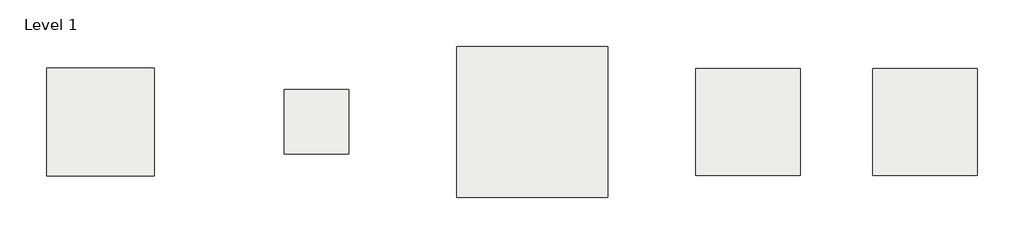
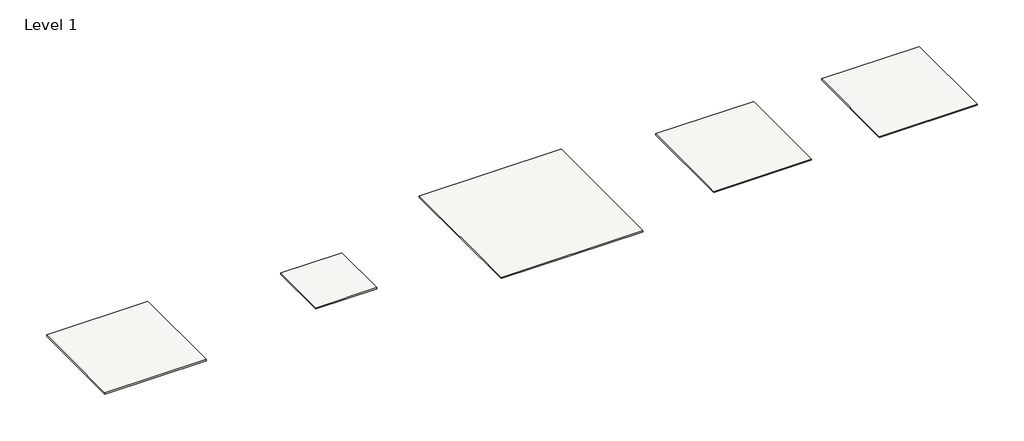
# One storey: 5 slabs.
"""IFC4 building model written with IfcOpenShell, lengths in millimetres."""

from ifc_helpers import new_model, si_unit, frame, origin, place, context, project, spatial, polyline, outline, extrude, element, save

model = new_model("IFC4")

# Units and contexts
model_context = context("Model", 3, world=origin())
ifc_project = project(units=[si_unit("LENGTHUNIT", "METRE", prefix="MILLI")], contexts=[model_context])

# Site, building, storey
site = spatial("IfcSite", under=ifc_project)
building = spatial("IfcBuilding", under=site)
storey = spatial("IfcBuildingStorey", under=building, Name="Level 1", Elevation=0.0)

# Slabs
placement = place(None, origin())
element("IfcSlab", 1, at=placement, inside=storey, context=model_context, shape_type="SweptSolid", body=[
    extrude(outline(polyline([(15866.2303947, 1617.9943364), (15866.2303947, -3342.0056636), (11026.2303947, -3342.0056636), (11026.2303947, 1617.9943364), (15866.2303947, 1617.9943364)])), frame((0.0, 0.0, -70.0), z_axis=(0.0, 0.0, 1.0), x_axis=(1.0, 0.0, 0.0)), (0.0, 0.0, 1.0), 70.0),
])
element("IfcSlab", 2, at=placement, inside=storey, context=model_context, shape_type="SweptSolid", body=[
    extrude(outline(polyline([(19226.2303947, -3342.0056636), (19226.2303947, 1617.9943364), (24066.2303947, 1617.9943364), (24066.2303947, -3342.0056636), (19226.2303947, -3342.0056636)])), frame((0.0, 0.0, -70.0), z_axis=(0.0, 0.0, 1.0), x_axis=(1.0, 0.0, 0.0)), (0.0, 0.0, 1.0), 70.0),
])
element("IfcSlab", 3, at=placement, inside=storey, context=model_context, shape_type="SweptSolid", body=[
    extrude(outline(polyline([(-14053.7696053, 1637.9943364), (-14053.7696053, -3362.0056636), (-19053.7696053, -3362.0056636), (-19053.7696053, 1637.9943364), (-14053.7696053, 1637.9943364)])), frame((0.0, 0.0, -70.0), z_axis=(0.0, 0.0, 1.0), x_axis=(1.0, 0.0, 0.0)), (0.0, 0.0, 1.0), 70.0),
])
element("IfcSlab", 4, at=placement, inside=storey, context=model_context, shape_type="SweptSolid", body=[
    extrude(outline(polyline([(-5053.7696053, 637.9943364), (-5053.7696053, -2362.0056636), (-8053.7696053, -2362.0056636), (-8053.7696053, 637.9943364), (-5053.7696053, 637.9943364)])), frame((0.0, 0.0, -70.0), z_axis=(0.0, 0.0, 1.0), x_axis=(1.0, 0.0, 0.0)), (0.0, 0.0, 1.0), 70.0),
])
element("IfcSlab", 5, at=placement, inside=storey, context=model_context, shape_type="SweptSolid", body=[
    extrude(outline(polyline([(6946.2303947, -4362.0056636), (-53.7696053, -4362.0056636), (-53.7696053, 2637.9943364), (6946.2303947, 2637.9943364), (6946.2303947, -4362.0056636)])), frame((0.0, 0.0, -70.0), z_axis=(0.0, 0.0, 1.0), x_axis=(1.0, 0.0, 0.0)), (0.0, 0.0, 1.0), 70.0),
])

save(model, "model.ifc")
